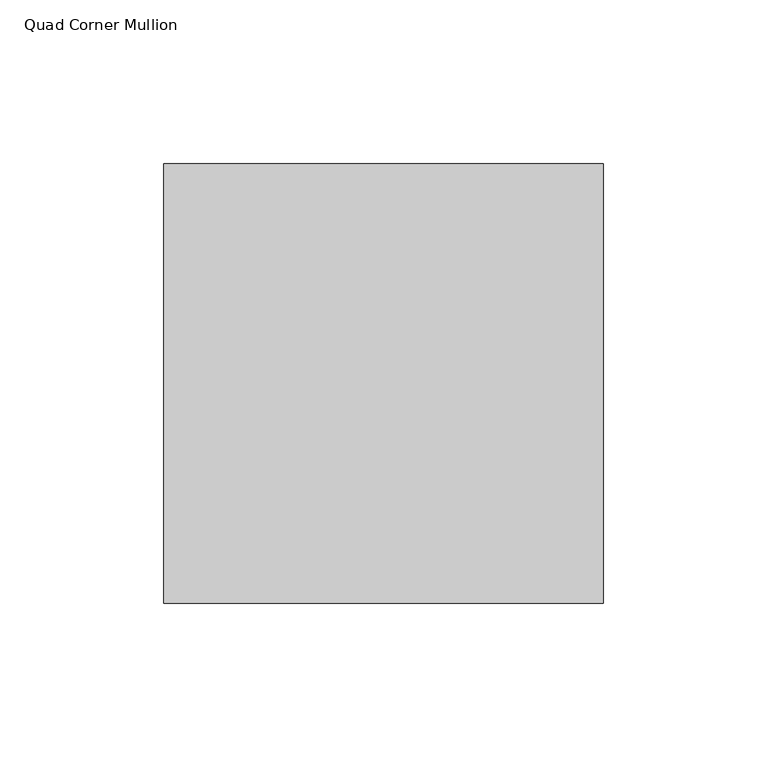
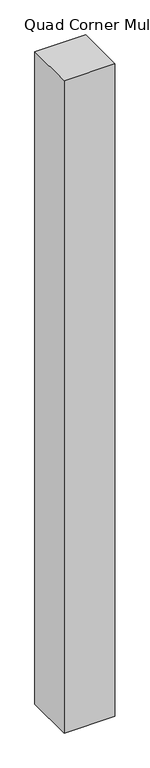
"""IFC4 building model written with IfcOpenShell, lengths in millimetres: member geometry, Quad Corner Mullion."""

from ifc_helpers import new_model, si_unit, frame, origin, place, context, project, spatial, polyline, outline, extrude, source, transform, mapped, element, save


def quad_corner_mullion_a6352967(model_context):
    return source(origin(), model_context, "Body", "SweptSolid", [
        extrude(outline(polyline([(82.5996094, -51.6433594), (-51.6433594, -51.6433594), (-51.6433594, 82.5996094), (82.5996094, 82.5996094), (82.5996094, -51.6433594)])), frame((0.0, 0.0, -1828.8), z_axis=(0.0, 0.0, 1.0), x_axis=(1.0, 0.0, 0.0)), (0.0, 0.0, 1.0), 1828.8),
    ])


if __name__ == "__main__":
    model = new_model("IFC4")
    model_context = context("Model", 3, world=origin())
    ifc_project = project(units=[si_unit("LENGTHUNIT", "METRE", prefix="MILLI")], contexts=[model_context])
    site = spatial("IfcSite", under=ifc_project)
    building = spatial("IfcBuilding", under=site)
    placement = place(None, origin())
    quad_corner_mullion_shape = quad_corner_mullion_a6352967(model_context)
    element("IfcMember", 1, ObjectType="Quad Corner Mullion", at=placement, inside=building, context=model_context, shape_type="MappedRepresentation", body=[
        mapped(quad_corner_mullion_shape, transform((0.0, 0.0, 0.0), x_axis=(1.0, 0.0, 0.0), y_axis=(0.0, 1.0, 0.0), z_axis=(0.0, 0.0, 1.0))),
    ])
    save(model, "model.ifc")
